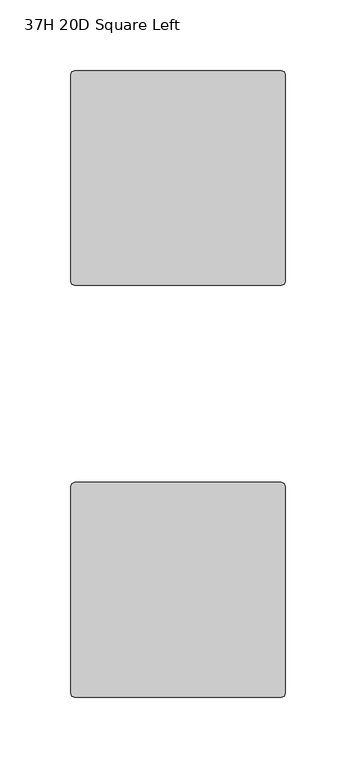
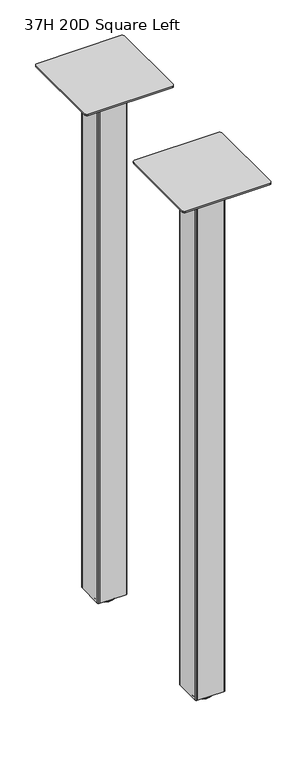
"""IFC4 building model written with IfcOpenShell, lengths in millimetres: furniture geometry, 37H 20D Square Left."""

from ifc_helpers import new_model, si_unit, frame, origin, place, context, project, spatial, polyline, circle_curve, outline, extrude, source, transform, mapped, element, save
from ifc_brep_helpers import plane_surface, cylinder_surface, revolved_surface, advanced_brep


def furniture_37h_20d_square_left_9cb02c64(model_context):
    return source(origin(), model_context, "Body", "SolidModel", [
        extrude(outline(polyline([(82.5508751, -130.809957), (82.5508751, -85.0899643), (83.2948249, -83.2939256), (85.0907849, -82.550003), (130.8109622, -82.550003), (132.6069222, -83.2939256), (133.350872, -85.0899643), (133.350872, -130.809957), (132.6069222, -132.606032), (130.8107429, -133.3500091), (85.0910042, -133.3500091), (83.2948249, -132.606032), (82.5508751, -130.809957)])), frame((0.0, 0.0, 10.1608624), z_axis=(0.0, 0.0, 1.0), x_axis=(1.0, 0.0, 0.0)), (0.0, 0.0, 1.0), 939.292),
        extrude(outline(polyline([(82.5508751, -422.9099865), (82.5508751, -377.1899938), (83.2948249, -375.3939552), (85.0907849, -374.6500326), (130.8109622, -374.6500326), (132.6069222, -375.3939552), (133.350872, -377.1899938), (133.350872, -422.9099865), (132.6069222, -424.7060615), (130.8107429, -425.4500386), (85.0910042, -425.4500386), (83.2948249, -424.7060615), (82.5508751, -422.9099865)])), frame((0.0, 0.0, 10.1608624), z_axis=(0.0, 0.0, 1.0), x_axis=(1.0, 0.0, 0.0)), (0.0, 0.0, 1.0), 939.292),
        extrude(outline(polyline([(31.7508849, -326.8980259), (32.6436243, -324.7427636), (34.7988843, -323.8500265), (181.102881, -323.8500265), (183.2581455, -324.7427636), (184.1508781, -326.8980259), (184.1508781, -473.2020271), (183.2581455, -475.3572917), (181.1029194, -476.2500083), (34.7988459, -476.2500083), (32.6436243, -475.3572917), (31.7508849, -473.2020271), (31.7508849, -326.8980259)])), frame((0.0, 0.0, 949.4528623), z_axis=(0.0, 0.0, 1.0), x_axis=(1.0, 0.0, 0.0)), (0.0, 0.0, 1.0), 3.048),
        advanced_brep(
        [(107.9508872, -400.0500356, 11.1759893), (119.1268856, -400.0500356, 11.1759893), (96.7748888, -400.0500356, 11.1759893), (95.2064298, -400.0500356, 0.0), (120.6953446, -400.0500356, 0.0), (107.9508872, -400.0500356, 0.0), (92.111765, -400.0500356, 0.4083326), (123.7900094, -400.0500356, 0.4083326), (90.7852289, -400.0500356, 2.0055462), (125.1165454, -400.0500356, 2.0055462), (90.7852289, -400.0500356, 4.3444296), (125.1165454, -400.0500356, 4.3444296), (92.111765, -400.0500356, 5.9416431), (123.7900094, -400.0500356, 5.9416431), (93.6849338, -400.0500356, 6.3499758), (122.2168405, -400.0500356, 6.3499758), (96.7748888, -400.0500356, 6.3499758), (119.1268856, -400.0500356, 6.3499758)],
        [
            (0, 1),
            (1, 2, circle_curve(frame((107.9508872, -400.0500356, 11.1759893), z_axis=(0.0, 0.0, 1.0), x_axis=(1.0, 0.0, 0.0)), 11.1759984)),
            (2, 0),
            (2, 1, circle_curve(frame((107.9508872, -400.0500356, 11.1759893), z_axis=(0.0, 0.0, 1.0), x_axis=(1.0, 0.0, 0.0)), 11.1759984)),
            (3, 4, circle_curve(frame((107.9508872, -400.0500356, 0.0), z_axis=(0.0, 0.0, -1.0), x_axis=(1.0, 0.0, 0.0)), 12.7444574)),
            (4, 5),
            (5, 3),
            (4, 3, circle_curve(frame((107.9508872, -400.0500356, 0.0), z_axis=(0.0, 0.0, -1.0), x_axis=(1.0, 0.0, 0.0)), 12.7444574)),
            (6, 7, circle_curve(frame((107.9508872, -400.0500356, 0.4083326), z_axis=(0.0, 0.0, -1.0), x_axis=(1.0, 0.0, 0.0)), 15.8391222)),
            (7, 4),
            (3, 6),
            (7, 6, circle_curve(frame((107.9508872, -400.0500356, 0.4083326), z_axis=(0.0, 0.0, -1.0), x_axis=(1.0, 0.0, 0.0)), 15.8391222)),
            (8, 9, circle_curve(frame((107.9508872, -400.0500356, 2.0055462), z_axis=(0.0, 0.0, -1.0), x_axis=(1.0, 0.0, 0.0)), 17.1656583)),
            (9, 7),
            (6, 8),
            (9, 8, circle_curve(frame((107.9508872, -400.0500356, 2.0055462), z_axis=(0.0, 0.0, -1.0), x_axis=(1.0, 0.0, 0.0)), 17.1656583)),
            (10, 11, circle_curve(frame((107.9508872, -400.0500356, 4.3444296), z_axis=(0.0, 0.0, -1.0), x_axis=(1.0, 0.0, 0.0)), 17.1656583)),
            (11, 9),
            (8, 10),
            (11, 10, circle_curve(frame((107.9508872, -400.0500356, 4.3444296), z_axis=(0.0, 0.0, -1.0), x_axis=(1.0, 0.0, 0.0)), 17.1656583)),
            (12, 13, circle_curve(frame((107.9508872, -400.0500356, 5.9416431), z_axis=(0.0, 0.0, -1.0), x_axis=(1.0, 0.0, 0.0)), 15.8391222)),
            (13, 11),
            (10, 12),
            (13, 12, circle_curve(frame((107.9508872, -400.0500356, 5.9416431), z_axis=(0.0, 0.0, -1.0), x_axis=(1.0, 0.0, 0.0)), 15.8391222)),
            (14, 15, circle_curve(frame((107.9508872, -400.0500356, 6.3499758), z_axis=(0.0, 0.0, -1.0), x_axis=(1.0, 0.0, 0.0)), 14.2659534)),
            (15, 13),
            (12, 14),
            (15, 14, circle_curve(frame((107.9508872, -400.0500356, 6.3499758), z_axis=(0.0, 0.0, -1.0), x_axis=(1.0, 0.0, 0.0)), 14.2659534)),
            (16, 17, circle_curve(frame((107.9508872, -400.0500356, 6.3499758), z_axis=(0.0, 0.0, -1.0), x_axis=(1.0, 0.0, 0.0)), 11.1759984)),
            (17, 15),
            (14, 16),
            (17, 16, circle_curve(frame((107.9508872, -400.0500356, 6.3499758), z_axis=(0.0, 0.0, -1.0), x_axis=(1.0, 0.0, 0.0)), 11.1759984)),
            (1, 17),
            (16, 2),
        ],
        [
            plane_surface(frame((107.9508872, -400.0500356, 11.1759893), z_axis=(0.0, 0.0, 1.0), x_axis=(1.0, 0.0, 0.0))),
            plane_surface(frame((107.9508872, -400.0500356, 0.0), z_axis=(0.0, 0.0, -1.0), x_axis=(1.0, 0.0, 0.0))),
            revolved_surface(polyline([(120.6953446, -400.0500356, 0.0), (123.7900094, -400.0500356, 0.4083326)]), (107.9508872, -400.0500356, 11.1759893), (0.0, 0.0, 1.0)),
            revolved_surface(polyline([(123.7900094, -400.0500356, 0.4083326), (125.1165454, -400.0500356, 2.0055462)]), (107.9508872, -400.0500356, 11.1759893), (0.0, 0.0, 1.0)),
            cylinder_surface(frame((107.9508872, -400.0500356, 11.1759893), z_axis=(0.0, 0.0, 1.0), x_axis=(1.0, 0.0, 0.0)), 17.1656583),
            revolved_surface(polyline([(125.1165454, -400.0500356, 4.3444296), (123.7900094, -400.0500356, 5.9416431)]), (107.9508872, -400.0500356, 11.1759893), (0.0, 0.0, 1.0)),
            revolved_surface(polyline([(123.7900094, -400.0500356, 5.9416431), (122.2168405, -400.0500356, 6.3499758)]), (107.9508872, -400.0500356, 11.1759893), (0.0, 0.0, 1.0)),
            plane_surface(frame((107.9508872, -400.0500356, 6.3499758), z_axis=(0.0, 0.0, 1.0), x_axis=(1.0, 0.0, 0.0))),
            cylinder_surface(frame((107.9508872, -400.0500356, 11.1759893), z_axis=(0.0, 0.0, 1.0), x_axis=(1.0, 0.0, 0.0)), 11.1759984),
        ],
        [
            (0, [[1, 2, 3]]),
            (0, [[-3, 4, -1]]),
            (1, [[5, 6, 7]]),
            (1, [[8, -7, -6]]),
            (2, [[9, 10, -5, 11]]),
            (2, [[12, -11, -8, -10]]),
            (3, [[13, 14, -9, 15]]),
            (3, [[16, -15, -12, -14]]),
            (4, [[17, 18, -13, 19]]),
            (4, [[20, -19, -16, -18]]),
            (5, [[21, 22, -17, 23]]),
            (5, [[24, -23, -20, -22]]),
            (6, [[25, 26, -21, 27]]),
            (6, [[28, -27, -24, -26]]),
            (7, [[29, 30, -25, 31]]),
            (7, [[32, -31, -28, -30]]),
            (8, [[-2, 33, -29, 34]]),
            (8, [[-4, -34, -32, -33]]),
        ],
    ),
        advanced_brep(
        [(107.9508872, -107.9500061, 11.1759893), (119.1268856, -107.9500061, 11.1759893), (96.7748888, -107.9500061, 11.1759893), (95.2064298, -107.9500061, 0.0), (120.6953446, -107.9500061, 0.0), (107.9508872, -107.9500061, 0.0), (92.111765, -107.9500061, 0.4083326), (123.7900094, -107.9500061, 0.4083326), (90.7852289, -107.9500061, 2.0055462), (125.1165454, -107.9500061, 2.0055462), (90.7852289, -107.9500061, 4.3444296), (125.1165454, -107.9500061, 4.3444296), (92.111765, -107.9500061, 5.9416431), (123.7900094, -107.9500061, 5.9416431), (93.6849338, -107.9500061, 6.3499758), (122.2168405, -107.9500061, 6.3499758), (96.7748888, -107.9500061, 6.3499758), (119.1268856, -107.9500061, 6.3499758)],
        [
            (0, 1),
            (1, 2, circle_curve(frame((107.9508872, -107.9500061, 11.1759893), z_axis=(0.0, 0.0, 1.0), x_axis=(1.0, 0.0, 0.0)), 11.1759984)),
            (2, 0),
            (2, 1, circle_curve(frame((107.9508872, -107.9500061, 11.1759893), z_axis=(0.0, 0.0, 1.0), x_axis=(1.0, 0.0, 0.0)), 11.1759984)),
            (3, 4, circle_curve(frame((107.9508872, -107.9500061, 0.0), z_axis=(0.0, 0.0, -1.0), x_axis=(1.0, 0.0, 0.0)), 12.7444574)),
            (4, 5),
            (5, 3),
            (4, 3, circle_curve(frame((107.9508872, -107.9500061, 0.0), z_axis=(0.0, 0.0, -1.0), x_axis=(1.0, 0.0, 0.0)), 12.7444574)),
            (6, 7, circle_curve(frame((107.9508872, -107.9500061, 0.4083326), z_axis=(0.0, 0.0, -1.0), x_axis=(1.0, 0.0, 0.0)), 15.8391222)),
            (7, 4),
            (3, 6),
            (7, 6, circle_curve(frame((107.9508872, -107.9500061, 0.4083326), z_axis=(0.0, 0.0, -1.0), x_axis=(1.0, 0.0, 0.0)), 15.8391222)),
            (8, 9, circle_curve(frame((107.9508872, -107.9500061, 2.0055462), z_axis=(0.0, 0.0, -1.0), x_axis=(1.0, 0.0, 0.0)), 17.1656583)),
            (9, 7),
            (6, 8),
            (9, 8, circle_curve(frame((107.9508872, -107.9500061, 2.0055462), z_axis=(0.0, 0.0, -1.0), x_axis=(1.0, 0.0, 0.0)), 17.1656583)),
            (10, 11, circle_curve(frame((107.9508872, -107.9500061, 4.3444296), z_axis=(0.0, 0.0, -1.0), x_axis=(1.0, 0.0, 0.0)), 17.1656583)),
            (11, 9),
            (8, 10),
            (11, 10, circle_curve(frame((107.9508872, -107.9500061, 4.3444296), z_axis=(0.0, 0.0, -1.0), x_axis=(1.0, 0.0, 0.0)), 17.1656583)),
            (12, 13, circle_curve(frame((107.9508872, -107.9500061, 5.9416431), z_axis=(0.0, 0.0, -1.0), x_axis=(1.0, 0.0, 0.0)), 15.8391222)),
            (13, 11),
            (10, 12),
            (13, 12, circle_curve(frame((107.9508872, -107.9500061, 5.9416431), z_axis=(0.0, 0.0, -1.0), x_axis=(1.0, 0.0, 0.0)), 15.8391222)),
            (14, 15, circle_curve(frame((107.9508872, -107.9500061, 6.3499758), z_axis=(0.0, 0.0, -1.0), x_axis=(1.0, 0.0, 0.0)), 14.2659534)),
            (15, 13),
            (12, 14),
            (15, 14, circle_curve(frame((107.9508872, -107.9500061, 6.3499758), z_axis=(0.0, 0.0, -1.0), x_axis=(1.0, 0.0, 0.0)), 14.2659534)),
            (16, 17, circle_curve(frame((107.9508872, -107.9500061, 6.3499758), z_axis=(0.0, 0.0, -1.0), x_axis=(1.0, 0.0, 0.0)), 11.1759984)),
            (17, 15),
            (14, 16),
            (17, 16, circle_curve(frame((107.9508872, -107.9500061, 6.3499758), z_axis=(0.0, 0.0, -1.0), x_axis=(1.0, 0.0, 0.0)), 11.1759984)),
            (1, 17),
            (16, 2),
        ],
        [
            plane_surface(frame((107.9508872, -107.9500061, 11.1759893), z_axis=(0.0, 0.0, 1.0), x_axis=(1.0, 0.0, 0.0))),
            plane_surface(frame((107.9508872, -107.9500061, 0.0), z_axis=(0.0, 0.0, -1.0), x_axis=(1.0, 0.0, 0.0))),
            revolved_surface(polyline([(120.6953446, -107.9500061, 0.0), (123.7900094, -107.9500061, 0.4083326)]), (107.9508872, -107.9500061, 11.1759893), (0.0, 0.0, 1.0)),
            revolved_surface(polyline([(123.7900094, -107.9500061, 0.4083326), (125.1165454, -107.9500061, 2.0055462)]), (107.9508872, -107.9500061, 11.1759893), (0.0, 0.0, 1.0)),
            cylinder_surface(frame((107.9508872, -107.9500061, 11.1759893), z_axis=(0.0, 0.0, 1.0), x_axis=(1.0, 0.0, 0.0)), 17.1656583),
            revolved_surface(polyline([(125.1165454, -107.9500061, 4.3444296), (123.7900094, -107.9500061, 5.9416431)]), (107.9508872, -107.9500061, 11.1759893), (0.0, 0.0, 1.0)),
            revolved_surface(polyline([(123.7900094, -107.9500061, 5.9416431), (122.2168405, -107.9500061, 6.3499758)]), (107.9508872, -107.9500061, 11.1759893), (0.0, 0.0, 1.0)),
            plane_surface(frame((107.9508872, -107.9500061, 6.3499758), z_axis=(0.0, 0.0, 1.0), x_axis=(1.0, 0.0, 0.0))),
            cylinder_surface(frame((107.9508872, -107.9500061, 11.1759893), z_axis=(0.0, 0.0, 1.0), x_axis=(1.0, 0.0, 0.0)), 11.1759984),
        ],
        [
            (0, [[1, 2, 3]]),
            (0, [[-3, 4, -1]]),
            (1, [[5, 6, 7]]),
            (1, [[8, -7, -6]]),
            (2, [[9, 10, -5, 11]]),
            (2, [[12, -11, -8, -10]]),
            (3, [[13, 14, -9, 15]]),
            (3, [[16, -15, -12, -14]]),
            (4, [[17, 18, -13, 19]]),
            (4, [[20, -19, -16, -18]]),
            (5, [[21, 22, -17, 23]]),
            (5, [[24, -23, -20, -22]]),
            (6, [[25, 26, -21, 27]]),
            (6, [[28, -27, -24, -26]]),
            (7, [[29, 30, -25, 31]]),
            (7, [[32, -31, -28, -30]]),
            (8, [[-2, 33, -29, 34]]),
            (8, [[-4, -34, -32, -33]]),
        ],
    ),
        extrude(outline(polyline([(31.7508849, -34.7980077), (32.6436243, -32.6427454), (34.7988843, -31.7500083), (181.102881, -31.7500083), (183.2581455, -32.6427454), (184.1508781, -34.7980077), (184.1508781, -181.102009), (183.2581455, -183.2572735), (181.102881, -184.1500061), (34.7988843, -184.1500061), (32.6436243, -183.2572735), (31.7508849, -181.102009), (31.7508849, -34.7980077)])), frame((0.0, 0.0, 949.4528623), z_axis=(0.0, 0.0, 1.0), x_axis=(1.0, 0.0, 0.0)), (0.0, 0.0, 1.0), 3.048),
    ])


if __name__ == "__main__":
    model = new_model("IFC4")
    model_context = context("Model", 3, world=origin())
    ifc_project = project(units=[si_unit("LENGTHUNIT", "METRE", prefix="MILLI")], contexts=[model_context])
    site = spatial("IfcSite", under=ifc_project)
    building = spatial("IfcBuilding", under=site)
    placement = place(None, origin())
    furniture_37h_20d_square_left_shape = furniture_37h_20d_square_left_9cb02c64(model_context)
    element("IfcFurniture", 1, ObjectType="37H 20D Square Left", at=placement, inside=building, context=model_context, shape_type="MappedRepresentation", body=[
        mapped(furniture_37h_20d_square_left_shape, transform((0.0, 0.0, 0.0), x_axis=(1.0, 0.0, 0.0), y_axis=(0.0, 1.0, 0.0), z_axis=(0.0, 0.0, 1.0))),
    ])
    save(model, "model.ifc")
